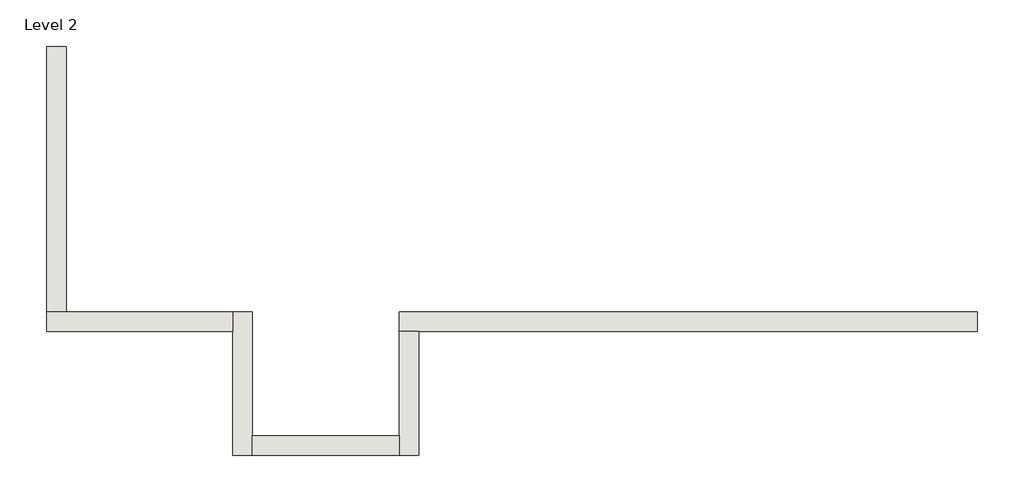
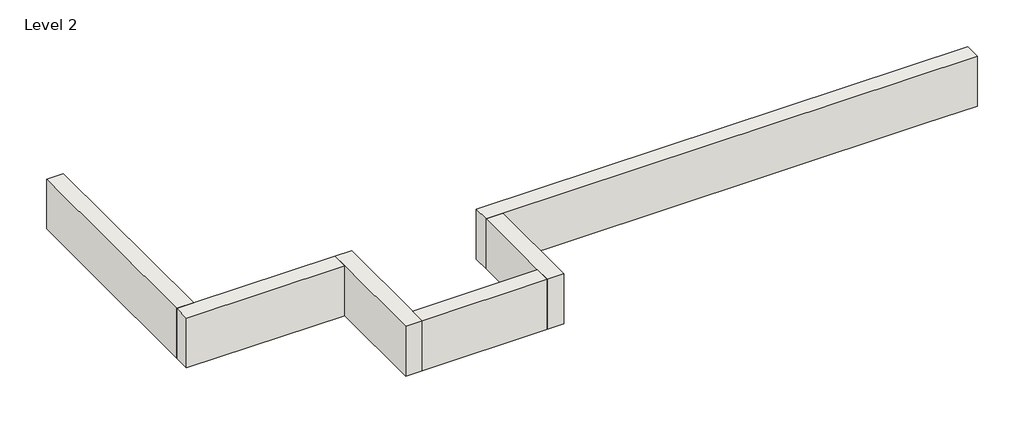
# One storey: 6 walls.
"""IFC4 building model written with IfcOpenShell, lengths in millimetres."""

from ifc_helpers import new_model, si_unit, frame, origin, place, context, project, spatial, polyline, outline, extrude, faceted_brep, element, save

model = new_model("IFC4")

# Units and contexts
model_context = context("Model", 3, world=origin())
ifc_project = project(units=[si_unit("LENGTHUNIT", "METRE", prefix="MILLI")], contexts=[model_context])

# Site, building, storey
site = spatial("IfcSite", under=ifc_project)
building = spatial("IfcBuilding", under=site)
storey = spatial("IfcBuildingStorey", under=building, Name="Level 2", Elevation=3048.0)

# Walls
placement = place(None, origin())
element("IfcWall", 1, ObjectType="Generic - 8\" Brick", at=placement, inside=storey, context=model_context, shape_type="Brep", body=[
    faceted_brep([(7315.157857, 1412.8726187, 3048.0), (6705.557857, 1412.8726187, 3048.0), (4876.757857, 1412.8726187, 3048.0), (3657.557857, 1412.8726187, 3048.0), (1635.0852383, 1412.8726187, 3048.0), (1635.0852383, 1412.8726187, 3657.6), (7315.157857, 1412.8726187, 3657.6), (7315.157857, 1219.1976187, 3048.0), (7315.157857, 1219.1976187, 3657.6), (1828.7602383, 1219.1976187, 3657.6), (1635.0852383, 1219.1976187, 3657.6), (1635.0852383, 1219.1976187, 3048.0), (1828.7602383, 1219.1976187, 3048.0), (3657.557857, 1219.1976187, 3048.0), (4876.757857, 1219.1976187, 3048.0), (6705.557857, 1219.1976187, 3048.0)], [[[0, 1, 2, 3, 4, 5, 6]], [[7, 8, 9, 10, 11, 12, 13, 14, 15]], [[4, 3, 2, 1, 0, 7, 15, 14, 13, 12, 11]], [[6, 5, 10, 9, 8]], [[0, 6, 8, 7]], [[5, 4, 11, 10]]]),
])
element("IfcWall", 2, ObjectType="Generic - 8\" Brick", at=placement, inside=storey, context=model_context, shape_type="Brep", body=[
    faceted_brep([(1635.0852383, 1219.1976187, 3048.0), (1635.0852383, 193.675, 3048.0), (1635.0852383, 0.0, 3048.0), (1635.0852383, 0.0, 3657.6), (1635.0852383, 193.675, 3657.6), (1635.0852383, 1219.1976187, 3657.6), (1828.7602383, 1219.1976187, 3048.0), (1828.7602383, 1219.1976187, 3657.6), (1828.7602383, 0.0, 3657.6), (1828.7602383, 0.0, 3048.0)], [[[0, 1, 2, 3, 4, 5]], [[6, 7, 8, 9]], [[2, 1, 0, 6, 9]], [[5, 4, 3, 8, 7]], [[0, 5, 7, 6]], [[3, 2, 9, 8]]]),
])
element("IfcWall", 3, ObjectType="Generic - 8\" Brick", at=placement, inside=storey, context=model_context, shape_type="SweptSolid", body=[
    extrude(outline(polyline([(193.632857, 193.675), (1635.0852383, 193.675), (1635.0852383, 0.0), (193.632857, 0.0), (193.632857, 193.675)])), frame((0.0, 0.0, 3048.0), z_axis=(0.0, 0.0, 1.0), x_axis=(1.0, 0.0, 0.0)), (0.0, 0.0, 1.0), 609.6),
])
element("IfcWall", 4, ObjectType="Generic - 8\" Brick", at=placement, inside=storey, context=model_context, shape_type="Brep", body=[
    faceted_brep([(193.632857, 0.0, 3048.0), (193.632857, 193.675, 3048.0), (193.632857, 1412.8726187, 3048.0), (193.632857, 1412.8726187, 3657.6), (193.632857, 193.675, 3657.6), (193.632857, 0.0, 3657.6), (-0.042143, 0.0, 3048.0), (-0.042143, 0.0, 3657.6), (-0.042143, 1219.1976187, 3657.6), (-0.042143, 1412.8726187, 3657.6), (-0.042143, 1412.8726187, 3048.0), (-0.042143, 1219.1976187, 3048.0)], [[[0, 1, 2, 3, 4, 5]], [[6, 7, 8, 9, 10, 11]], [[2, 1, 0, 6, 11, 10]], [[5, 4, 3, 9, 8, 7]], [[0, 5, 7, 6]], [[3, 2, 10, 9]]]),
])
element("IfcWall", 5, ObjectType="Generic - 8\" Brick", at=placement, inside=storey, context=model_context, shape_type="Brep", body=[
    faceted_brep([(-0.042143, 1412.8726187, 3048.0), (-1635.135393, 1412.8726187, 3048.0), (-1828.810393, 1412.8726187, 3048.0), (-1828.810393, 1412.8726187, 3657.6), (-1635.135393, 1412.8726187, 3657.6), (-0.042143, 1412.8726187, 3657.6), (-0.042143, 1219.1976187, 3048.0), (-0.042143, 1219.1976187, 3657.6), (-1828.810393, 1219.1976187, 3657.6), (-1828.810393, 1219.1976187, 3048.0)], [[[0, 1, 2, 3, 4, 5]], [[6, 7, 8, 9]], [[2, 1, 0, 6, 9]], [[5, 4, 3, 8, 7]], [[0, 5, 7, 6]], [[3, 2, 9, 8]]]),
])
element("IfcWall", 6, ObjectType="Generic - 8\" Brick", at=placement, inside=storey, context=model_context, shape_type="Brep", body=[
    faceted_brep([(-1635.135393, 1412.8726187, 3048.0), (-1635.135393, 3048.0, 3048.0), (-1635.135393, 4021.038226, 3048.0), (-1635.135393, 4021.038226, 3657.6), (-1635.135393, 1412.8726187, 3657.6), (-1828.810393, 1412.8726187, 3048.0), (-1828.810393, 1412.8726187, 3657.6), (-1828.810393, 4021.038226, 3657.6), (-1828.810393, 4021.038226, 3048.0), (-1828.810393, 3048.0, 3048.0)], [[[0, 1, 2, 3, 4]], [[5, 6, 7, 8, 9]], [[2, 1, 0, 5, 9, 8]], [[3, 2, 8, 7]], [[4, 3, 7, 6]], [[0, 4, 6, 5]]]),
])

save(model, "model.ifc")
